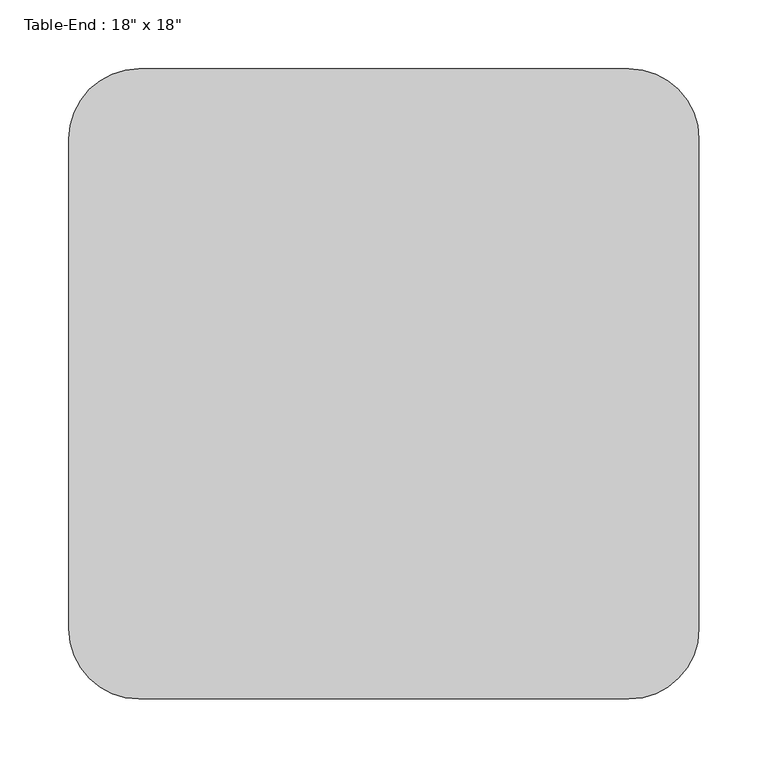
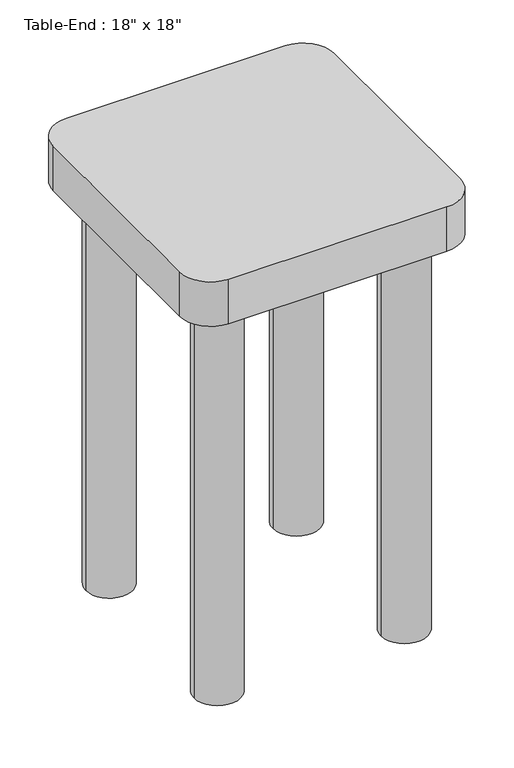
"""IFC4 building model written with IfcOpenShell, lengths in millimetres: furniture geometry."""

from ifc_helpers import new_model, si_unit, point, frame, frame_2d, origin, origin_with_axes, place, context, project, spatial, polyline, circle_curve, trimmed, segment, composite_curve, outline, extrude, source, transform, mapped, element, save


def furniture_98ec65e7(model_context):
    return source(origin(), model_context, "Body", "SweptSolid", [
        extrude(outline(composite_curve([segment(trimmed(circle_curve(frame_2d((410.1336303, 25.4)), 50.8), [point((410.1336303, 76.2))], [point((460.9336303, 25.4))], False, "CARTESIAN"), True, "CONTINUOUS"), segment(polyline([(460.9336303, 25.4), (460.9336303, -330.2)]), True, "CONTINUOUS"), segment(trimmed(circle_curve(frame_2d((410.1336303, -330.2)), 50.8), [point((460.9336303, -330.2))], [point((410.1336303, -381.0))], False, "CARTESIAN"), True, "CONTINUOUS"), segment(polyline([(410.1336303, -381.0), (54.5336303, -381.0)]), True, "CONTINUOUS"), segment(trimmed(circle_curve(frame_2d((54.5336303, -330.2)), 50.8), [point((54.5336303, -381.0))], [point((3.7336303, -330.2))], False, "CARTESIAN"), True, "CONTINUOUS"), segment(polyline([(3.7336303, -330.2), (3.7336303, 25.4)]), True, "CONTINUOUS"), segment(trimmed(circle_curve(frame_2d((54.5336303, 25.4)), 50.8), [point((3.7336303, 25.4))], [point((54.5336303, 76.2))], False, "CARTESIAN"), True, "CONTINUOUS"), segment(polyline([(54.5336303, 76.2), (410.1336303, 76.2)]), True, "CONTINUOUS")], self_intersect=False)), frame((0.0, 0.0, 685.8), z_axis=(0.0, 0.0, 1.0), x_axis=(1.0, 0.0, 0.0)), (0.0, 0.0, 1.0), 76.2),
        extrude(outline(composite_curve([segment(trimmed(circle_curve(frame_2d((79.9336303, -304.8)), 38.1), [point((41.8336303, -304.8))], [point((118.0336303, -304.8))], False, "CARTESIAN"), True, "CONTINUOUS"), segment(trimmed(circle_curve(frame_2d((79.9336303, -304.8)), 38.1), [point((118.0336303, -304.8))], [point((41.8336303, -304.8))], False, "CARTESIAN"), True, "CONTINUOUS")], self_intersect=False)), origin_with_axes(), (0.0, 0.0, 1.0), 685.8),
        extrude(outline(composite_curve([segment(trimmed(circle_curve(frame_2d((79.9336303, 0.0)), 38.1), [point((41.8336303, 0.0))], [point((118.0336303, 0.0))], False, "CARTESIAN"), True, "CONTINUOUS"), segment(trimmed(circle_curve(frame_2d((79.9336303, 0.0)), 38.1), [point((118.0336303, 0.0))], [point((41.8336303, 0.0))], False, "CARTESIAN"), True, "CONTINUOUS")], self_intersect=False)), origin_with_axes(), (0.0, 0.0, 1.0), 685.8),
        extrude(outline(composite_curve([segment(trimmed(circle_curve(frame_2d((384.7336303, 0.0)), 38.1), [point((346.6336303, 0.0))], [point((422.8336303, 0.0))], False, "CARTESIAN"), True, "CONTINUOUS"), segment(trimmed(circle_curve(frame_2d((384.7336303, 0.0)), 38.1), [point((422.8336303, 0.0))], [point((346.6336303, 0.0))], False, "CARTESIAN"), True, "CONTINUOUS")], self_intersect=False)), origin_with_axes(), (0.0, 0.0, 1.0), 685.8),
        extrude(outline(composite_curve([segment(trimmed(circle_curve(frame_2d((384.7336303, -304.8)), 38.1), [point((346.6336303, -304.8))], [point((422.8336303, -304.8))], False, "CARTESIAN"), True, "CONTINUOUS"), segment(trimmed(circle_curve(frame_2d((384.7336303, -304.8)), 38.1), [point((422.8336303, -304.8))], [point((346.6336303, -304.8))], False, "CARTESIAN"), True, "CONTINUOUS")], self_intersect=False)), origin_with_axes(), (0.0, 0.0, 1.0), 685.8),
    ])


if __name__ == "__main__":
    model = new_model("IFC4")
    model_context = context("Model", 3, world=origin())
    ifc_project = project(units=[si_unit("LENGTHUNIT", "METRE", prefix="MILLI")], contexts=[model_context])
    site = spatial("IfcSite", under=ifc_project)
    building = spatial("IfcBuilding", under=site)
    placement = place(None, origin())
    furniture_shape = furniture_98ec65e7(model_context)
    element("IfcFurniture", 1, ObjectType="Table-End : 18\" x 18\"", at=placement, inside=building, context=model_context, shape_type="MappedRepresentation", body=[
        mapped(furniture_shape, transform((0.0, 0.0, 0.0), x_axis=(1.0, 0.0, 0.0), y_axis=(0.0, 1.0, 0.0), z_axis=(0.0, 0.0, 1.0))),
    ])
    save(model, "model.ifc")
